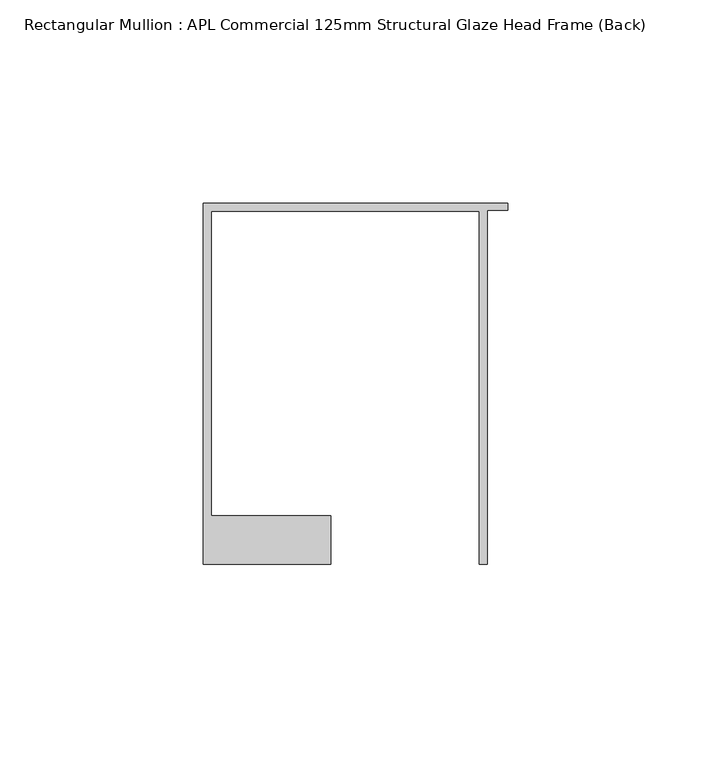
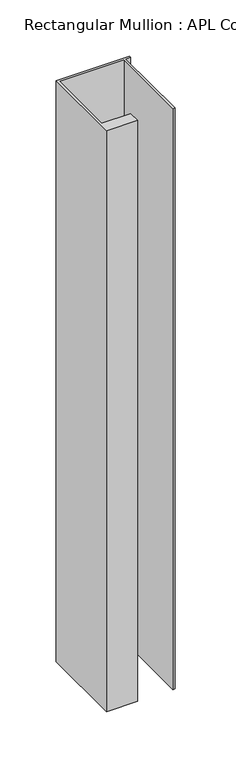
"""IFC4 building model written with IfcOpenShell, lengths in millimetres: member geometry, Rectangular Mullion : APL Commercial 125mm Structural Glaze Head Frame (Back)."""

from ifc_helpers import new_model, si_unit, frame, origin, place, context, project, spatial, polyline, outline, extrude, source, transform, mapped, element, save


def rectangular_mullion_apl_commercial_125mm_structural_glaze_f84c0dde(model_context):
    return source(origin(), model_context, "Body", "SweptSolid", [
        extrude(outline(polyline([(-75.0, 103.9993063), (0.0, 103.9993063), (0.0, 102.1993063), (-5.0, 102.1993063), (-5.0, 14.9998342), (-7.0, 14.9998342), (-7.0, 101.9993063), (-73.0, 101.9993063), (-73.0, 26.9997514), (-43.5000151, 26.9997514), (-43.5000151, 14.9998342), (-75.0, 14.9998342), (-75.0, 103.9993063)])), frame((0.0, 0.0, -628.0250341), z_axis=(0.0, 0.0, 1.0), x_axis=(1.0, 0.0, 0.0)), (0.0, 0.0, 1.0), 628.0250341),
    ])


if __name__ == "__main__":
    model = new_model("IFC4")
    model_context = context("Model", 3, world=origin())
    ifc_project = project(units=[si_unit("LENGTHUNIT", "METRE", prefix="MILLI")], contexts=[model_context])
    site = spatial("IfcSite", under=ifc_project)
    building = spatial("IfcBuilding", under=site)
    placement = place(None, origin())
    rectangular_mullion_apl_commercial_125mm_structural_glaze_shape = rectangular_mullion_apl_commercial_125mm_structural_glaze_f84c0dde(model_context)
    element("IfcMember", 1, ObjectType="Rectangular Mullion : APL Commercial 125mm Structural Glaze Head Frame (Back)", at=placement, inside=building, context=model_context, shape_type="MappedRepresentation", body=[
        mapped(rectangular_mullion_apl_commercial_125mm_structural_glaze_shape, transform((0.0, 0.0, 0.0), x_axis=(1.0, 0.0, 0.0), y_axis=(0.0, 1.0, 0.0), z_axis=(0.0, 0.0, 1.0))),
    ])
    save(model, "model.ifc")
